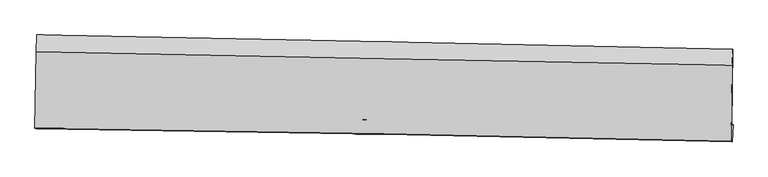
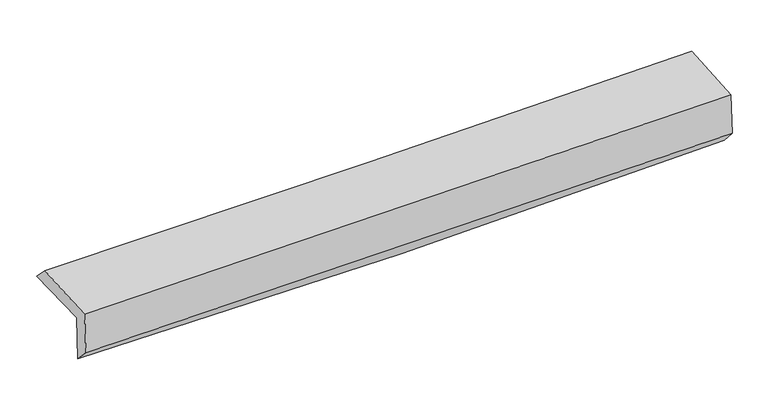
"""IFC4 building model written with IfcOpenShell, lengths in millimetres: proxy geometry."""

from ifc_helpers import new_model, si_unit, frame, origin, place, context, project, spatial, source, transform, mapped, element, save
from ifc_brep_helpers import plane_surface, spline_curve, spline_surface, advanced_brep


def generic_models_72928128(model_context):
    return source(origin(), model_context, "Body", "AdvancedBrep", [
        advanced_brep(
        [(-3038.3668459, -1750.2814428, 1976.2274647), (-3027.0226438, -1074.0508696, 1972.9365927), (3025.3024597, -1196.5914734, 2103.9259195), (3014.4232296, -1860.2743202, 2098.2338507), (-3026.2822116, -1743.6558391, 1556.4068735), (3026.1604464, -1854.1515678, 1690.300352), (-3033.0751885, -1890.8050437, 1708.7376069), (3019.0693869, -2001.9997409, 1852.6741134), (-3043.9481152, -1887.3045712, 2091.9823251), (3008.0589039, -1998.2742078, 2240.8728063), (-3033.6939347, -1220.2467043, 2121.5571211), (3018.2378639, -1336.1096083, 2270.2306535)],
        [
            (0, 1),
            (1, 2, spline_curve(3, [(-3027.0226438, -1074.0508696, 1972.9365927), (-2017.688413619, -1094.280687108, 1971.262485865), (-1008.630779137, -1114.607928337, 1981.342562975), (1008.810856207, -1155.454819286, 2025.008478352), (2017.194922928, -1175.97444607, 2058.591510262), (3025.3024597, -1196.5914734, 2103.9259195)], [4, 2, 4], [0.0, 9.934715370427362, 19.868244598148628])),
            (2, 3),
            (3, 0, spline_curve(3, [(3014.4232296, -1860.2743202, 2098.2338507), (2006.585767607, -1846.289207042, 2039.56236493), (998.298003646, -1830.131254466, 2000.058885571), (-1019.298580826, -1793.467480691, 1959.385512612), (-2028.607508586, -1772.961141249, 1958.220196346), (-3038.3668459, -1750.2814428, 1976.2274647)], [4, 2, 4], [0.0, 9.933529227721266, 19.868244598148628])),
            (4, 0),
            (3, 5),
            (5, 4, spline_curve(3, [(3026.1604464, -1854.1515678, 1690.300352), (2017.980603663, -1840.398652233, 1643.497243128), (1009.550586563, -1824.314906226, 1608.937834179), (-1007.930239432, -1787.483553127, 1564.303750347), (-2016.981108656, -1766.735389949, 1554.232000011), (-3026.2822116, -1743.6558391, 1556.4068735)], [4, 2, 4], [0.0, 9.933558151044274, 19.868302448248322])),
            (6, 4),
            (5, 7),
            (7, 6, spline_curve(3, [(3019.0693869, -2001.9997409, 1852.6741134), (2010.612635764, -1978.239469109, 1821.41650317), (1002.068993769, -1957.093505884, 1793.793488538), (-1015.312510908, -1920.027982288, 1745.813784654), (-2024.150393678, -1904.109046679, 1725.457964364), (-3033.0751885, -1890.8050437, 1708.7376069)], [4, 2, 4], [0.0, 9.932344808670837, 19.86587561861868])),
            (8, 6),
            (7, 9),
            (9, 8, spline_curve(3, [(3008.0589039, -1998.2742078, 2240.8728063), (1999.581989734, -1974.477366417, 2210.343442437), (991.039726841, -1953.331869506, 2182.671790544), (-1026.295930443, -1916.341357544, 2133.040947873), (-2035.089340914, -1900.496975187, 2111.08243936), (-3043.9481152, -1887.3045712, 2091.9823251)], [4, 2, 4], [0.0, 9.932029903154223, 19.86524576998322])),
            (10, 8),
            (9, 11),
            (11, 10, spline_curve(3, [(3018.2378639, -1336.1096083, 2270.2306535), (2009.643915721, -1319.926081757, 2239.363744389), (1001.049400311, -1302.179746196, 2211.541386732), (-1016.261198817, -1263.559151738, 2161.9828156), (-2024.977283285, -1242.684519257, 2140.247328926), (-3033.6939347, -1220.2467043, 2121.5571211)], [4, 2, 4], [0.0, 9.931972351347072, 19.86513065949677])),
            (1, 10),
            (11, 2),
        ],
        [
            spline_surface(3, 3, [[(-3038.3668459, -1750.2814428, 1976.2274647), (-2028.607508443, -1772.961141137, 1958.220196282), (-1019.298580735, -1793.467480813, 1959.38551247), (998.298003555, -1830.131254344, 2000.058885712), (2006.585767676, -1846.289207127, 2039.562364838), (3014.4232296, -1860.2743202, 2098.2338507)], [(-3034.585445217, -1524.871251761, 1975.130507351), (-2024.967810142, -1546.734323117, 1962.567626103), (-1015.742646824, -1567.180963251, 1966.704529287), (1001.80228775, -1605.239109332, 2008.375416622), (2010.122152711, -1622.850953472, 2045.905413282), (3018.049639633, -1639.046704609, 2100.131206942)], [(-3030.804044483, -1299.461060639, 1974.033550049), (-2021.328111789, -1320.507505013, 1966.915055972), (-1012.186712946, -1340.894445783, 1974.023546086), (1005.306571912, -1380.346964414, 2016.691947513), (2013.658537747, -1399.412699791, 2052.248461799), (3021.676049667, -1417.819088991, 2102.028563258)], [(-3027.0226438, -1074.0508696, 1972.9365927), (-2017.688413488, -1094.280686993, 1971.262485793), (-1008.630779036, -1114.607928221, 1981.342562904), (1008.810856106, -1155.454819402, 2025.008478423), (2017.194922783, -1175.974446137, 2058.591510242), (3025.3024597, -1196.5914734, 2103.9259195)]], [4, 4], [4, 2, 4], [0.0, 2.2219727938242477], [0.0, 9.934715370427362, 19.868244598148628]),
            spline_surface(3, 3, [[(-3026.2822116, -1743.6558391, 1556.4068735), (-2016.981108638, -1766.735389926, 1554.232000074), (-1007.930239561, -1787.483553235, 1564.303750433), (1009.550586693, -1824.314906117, 1608.937834093), (2017.98060361, -1840.398652398, 1643.497243245), (3026.1604464, -1854.1515678, 1690.300352)], [(-3030.310423012, -1745.864373653, 1696.347070564), (-2020.856575218, -1768.810640316, 1688.89473214), (-1011.719686647, -1789.478195764, 1695.997671095), (1005.799725619, -1826.253688863, 1739.311517949), (2014.182324985, -1842.362170644, 1775.518950456), (3022.24804082, -1856.192485269, 1826.278184913)], [(-3034.338634488, -1748.072908247, 1836.287267636), (-2024.732041863, -1770.885890747, 1823.557464215), (-1015.509133649, -1791.472838284, 1827.691591808), (1002.048864629, -1828.192471598, 1869.685201856), (2010.3840463, -1844.325688881, 1907.540657627), (3018.33563518, -1858.233402731, 1962.256017787)], [(-3038.3668459, -1750.2814428, 1976.2274647), (-2028.607508443, -1772.961141137, 1958.220196282), (-1019.298580735, -1793.467480813, 1959.38551247), (998.298003555, -1830.131254344, 2000.058885712), (2006.585767676, -1846.289207127, 2039.562364838), (3014.4232296, -1860.2743202, 2098.2338507)]], [4, 4], [4, 2, 4], [0.0, 1.2903824858515827], [0.0, 9.934744297204048, 19.868302448248322]),
            spline_surface(3, 3, [[(-3033.0751885, -1890.8050437, 1708.7376069), (-2024.15039382, -1904.109046715, 1725.457964201), (-1015.312510758, -1920.027982375, 1745.813784815), (1002.068993619, -1957.093505797, 1793.793488376), (2010.612635699, -1978.239469245, 1821.416503244), (3019.0693869, -2001.9997409, 1852.6741134)], [(-3030.810862876, -1841.755308819, 1657.96069577), (-2021.760632102, -1858.317827771, 1668.382642829), (-1012.851753676, -1875.846506023, 1685.310440019), (1004.562857993, -1912.833972598, 1732.174936945), (2013.068625, -1932.29253029, 1762.110083233), (3021.433073398, -1952.717016528, 1798.549526255)], [(-3028.546537224, -1792.705573981, 1607.18378463), (-2019.370870356, -1812.52660887, 1611.307321446), (-1010.390996644, -1831.665029588, 1624.80709523), (1007.056722318, -1868.574439316, 1670.556385523), (2015.524614308, -1886.345591353, 1702.803663256), (3023.796759902, -1903.434292172, 1744.424939145)], [(-3026.2822116, -1743.6558391, 1556.4068735), (-2016.981108638, -1766.735389926, 1554.232000074), (-1007.930239561, -1787.483553235, 1564.303750433), (1009.550586693, -1824.314906117, 1608.937834093), (2017.98060361, -1840.398652398, 1643.497243245), (3026.1604464, -1854.1515678, 1690.300352)]], [4, 4], [4, 2, 4], [0.0, 0.7424431837403147], [0.0, 9.933530809947843, 19.86587561861868]),
            spline_surface(3, 3, [[(-3043.9481152, -1887.3045712, 2091.9823251), (-2035.089340891, -1900.496975325, 2111.082439212), (-1026.295930512, -1916.341357473, 2133.040947756), (991.03972691, -1953.331869578, 2182.671790661), (1999.581989573, -1974.477366262, 2210.343442522), (3008.0589039, -1998.2742078, 2240.8728063)], [(-3040.323806294, -1888.471395397, 1964.234085698), (-2031.443025194, -1901.700999152, 1982.54094754), (-1022.634790612, -1917.570232431, 2003.965226789), (994.716149128, -1954.585748308, 2053.045689913), (2003.258871622, -1975.731400582, 2080.701129439), (3011.729064907, -1999.516052159, 2111.47324201)], [(-3036.699497406, -1889.638219503, 1836.485846302), (-2027.796709517, -1902.905022888, 1853.999455873), (-1018.973650658, -1918.799107417, 1874.889505782), (998.392571401, -1955.839627067, 1923.419589124), (2006.93575365, -1976.985434925, 1951.058816327), (3015.399225893, -2000.757896541, 1982.07367769)], [(-3033.0751885, -1890.8050437, 1708.7376069), (-2024.15039382, -1904.109046715, 1725.457964201), (-1015.312510758, -1920.027982375, 1745.813784815), (1002.068993619, -1957.093505797, 1793.793488376), (2010.612635699, -1978.239469245, 1821.416503244), (3019.0693869, -2001.9997409, 1852.6741134)]], [4, 4], [4, 2, 4], [0.0, 1.2737091588961522], [0.0, 9.933215866828995, 19.86524576998322]),
            spline_surface(3, 3, [[(-3033.6939347, -1220.2467043, 2121.5571211), (-2024.977283158, -1242.684519095, 2140.247329043), (-1016.261198944, -1263.559151584, 2161.98281553), (1001.049400438, -1302.17974635, 2211.541386802), (2009.643915788, -1319.926081836, 2239.363744434), (3018.2378639, -1336.1096083, 2270.2306535)], [(-3037.111994884, -1442.599326583, 2111.69885577), (-2028.347969087, -1461.955337821, 2130.525699103), (-1019.606109451, -1481.1532202, 2152.335526281), (997.712842612, -1519.23045408, 2201.918188097), (2006.289940376, -1538.109843299, 2229.690310457), (3014.844877226, -1556.831141454, 2260.444704427)], [(-3040.530055016, -1664.951948917, 2101.84059043), (-2031.718654963, -1681.226156599, 2120.804069152), (-1022.951020006, -1698.747288856, 2142.688237006), (994.376284736, -1736.281161848, 2192.294989366), (2002.935964985, -1756.293604799, 2220.016876499), (3011.451890574, -1777.552674646, 2250.658755373)], [(-3043.9481152, -1887.3045712, 2091.9823251), (-2035.089340891, -1900.496975325, 2111.082439212), (-1026.295930512, -1916.341357473, 2133.040947756), (991.03972691, -1953.331869578, 2182.671790661), (1999.581989573, -1974.477366262, 2210.343442522), (3008.0589039, -1998.2742078, 2240.8728063)]], [4, 4], [4, 2, 4], [0.0, 2.141353950125385], [0.0, 9.933158308149698, 19.86513065949677]),
            spline_surface(3, 3, [[(-3027.0226438, -1074.0508696, 1972.9365927), (-2017.688413488, -1094.280686993, 1971.262485793), (-1008.630779036, -1114.607928221, 1981.342562904), (1008.810856106, -1155.454819402, 2025.008478423), (2017.194922783, -1175.974446137, 2058.591510242), (3025.3024597, -1196.5914734, 2103.9259195)], [(-3029.246407417, -1122.782814487, 2022.476768847), (-2020.118036695, -1143.748631014, 2027.59076689), (-1011.174252336, -1164.258336031, 2041.555980438), (1006.223704219, -1204.363128407, 2087.186114541), (2014.677920433, -1223.958324718, 2118.848921659), (3022.947594415, -1243.097518381, 2159.360830852)], [(-3031.470171083, -1171.514759413, 2072.016944953), (-2022.547659951, -1193.216575074, 2083.919047946), (-1013.717725644, -1213.908743774, 2101.769397996), (1003.636552326, -1253.271437345, 2149.363750684), (2012.160918138, -1271.942203255, 2179.106333017), (3020.592729185, -1289.603563319, 2214.795742148)], [(-3033.6939347, -1220.2467043, 2121.5571211), (-2024.977283158, -1242.684519095, 2140.247329043), (-1016.261198944, -1263.559151584, 2161.98281553), (1001.049400438, -1302.17974635, 2211.541386802), (2009.643915788, -1319.926081836, 2239.363744434), (3018.2378639, -1336.1096083, 2270.2306535)]], [4, 4], [4, 2, 4], [0.0, 0.7737446616679935], [0.0, 9.933468467630767, 19.865750941427812]),
            plane_surface(frame((3018.5420484, -1707.9001531, 2042.7062826), z_axis=(0.999455281815715, -0.016627774265091842, 0.02850713548673445), x_axis=(0.028350302944990254, -0.009592675557190875, -0.9995520201062983))),
            plane_surface(frame((-3033.73149, -1594.3907451, 1904.6413307), z_axis=(-0.9994552818157283, 0.01662777426402491, -0.028507135486892904), x_axis=(-0.016773083485927757, -0.9998474824340643, 0.004865751806006737))),
        ],
        [
            (0, [[1, 2, 3, 4]]),
            (1, [[5, -4, 6, 7]]),
            (2, [[8, -7, 9, 10]]),
            (3, [[11, -10, 12, 13]]),
            (4, [[14, -13, 15, 16]]),
            (5, [[17, -16, 18, -2]]),
            (6, [[-12, -9, -6, -3, -18, -15]]),
            (7, [[-1, -5, -8, -11, -14, -17]]),
        ],
    ),
    ])


if __name__ == "__main__":
    model = new_model("IFC4")
    model_context = context("Model", 3, world=origin())
    ifc_project = project(units=[si_unit("LENGTHUNIT", "METRE", prefix="MILLI")], contexts=[model_context])
    site = spatial("IfcSite", under=ifc_project)
    building = spatial("IfcBuilding", under=site)
    placement = place(None, origin())
    generic_models_shape = generic_models_72928128(model_context)
    element("IfcBuildingElementProxy", 1, Name="Generic Models", at=placement, inside=building, context=model_context, shape_type="MappedRepresentation", body=[
        mapped(generic_models_shape, transform((0.0, 0.0, 0.0), x_axis=(1.0, 0.0, 0.0), y_axis=(0.0, 1.0, 0.0), z_axis=(0.0, 0.0, 1.0))),
    ])
    save(model, "model.ifc")
